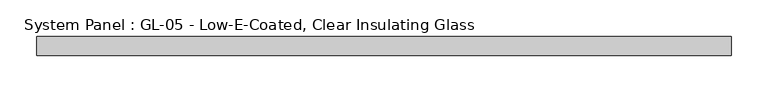
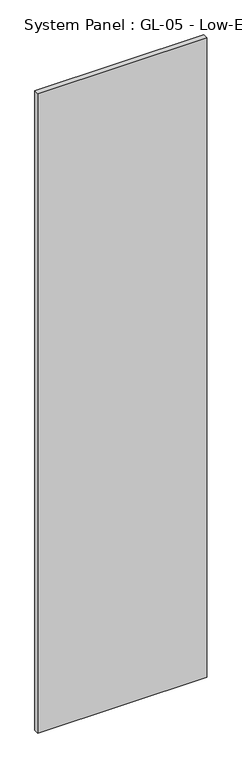
"""IFC4 building model written with IfcOpenShell, lengths in millimetres: plate geometry, System Panel : GL-05 - Low-E-Coated, Clear Insulating Glass."""

from ifc_helpers import new_model, si_unit, origin, origin_with_axes, place, context, project, spatial, polyline, outline, extrude, source, transform, mapped, element, save


def system_panel_gl_05_low_e_coated_clear_insulating_glass_c3cadfae(model_context):
    return source(origin(), model_context, "Body", "SweptSolid", [
        extrude(outline(polyline([(469.9, -12.7), (-469.9, -12.7), (-469.9, 12.7), (469.9, 12.7), (469.9, -12.7)])), origin_with_axes(), (0.0, 0.0, 1.0), 3759.2),
    ])


if __name__ == "__main__":
    model = new_model("IFC4")
    model_context = context("Model", 3, world=origin())
    ifc_project = project(units=[si_unit("LENGTHUNIT", "METRE", prefix="MILLI")], contexts=[model_context])
    site = spatial("IfcSite", under=ifc_project)
    building = spatial("IfcBuilding", under=site)
    placement = place(None, origin())
    system_panel_gl_05_low_e_coated_clear_insulating_glass_shape = system_panel_gl_05_low_e_coated_clear_insulating_glass_c3cadfae(model_context)
    element("IfcPlate", 1, ObjectType="System Panel : GL-05 - Low-E-Coated, Clear Insulating Glass", at=placement, inside=building, context=model_context, shape_type="MappedRepresentation", body=[
        mapped(system_panel_gl_05_low_e_coated_clear_insulating_glass_shape, transform((0.0, 0.0, 0.0), x_axis=(1.0, 0.0, 0.0), y_axis=(0.0, 1.0, 0.0), z_axis=(0.0, 0.0, 1.0))),
    ])
    save(model, "model.ifc")
